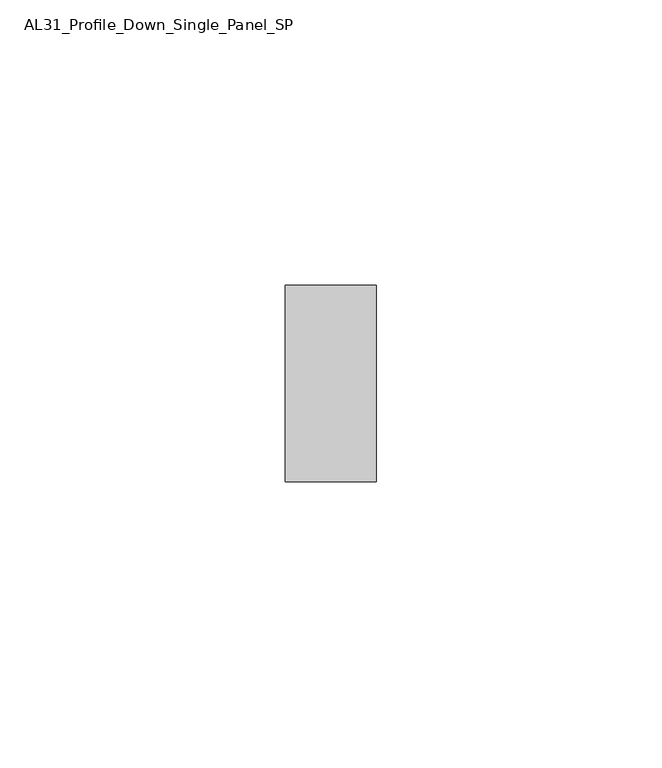
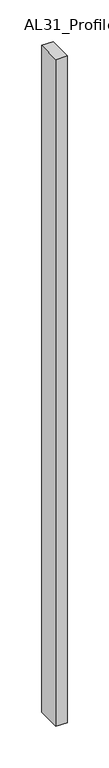
"""IFC4 building model written with IfcOpenShell, lengths in millimetres: member geometry, AL31_Profile_Down_Single_Panel_SP."""

from ifc_helpers import new_model, si_unit, frame, origin, place, context, project, spatial, polyline, outline, extrude, source, transform, mapped, element, save


def al31_profile_down_single_panel_sp_cb581b4c(model_context):
    return source(origin(), model_context, "Body", "SweptSolid", [
        extrude(outline(polyline([(0.0, -17.25), (-16.0, -17.25), (-16.0, 17.25), (0.0, 17.25), (0.0, -17.25)])), frame((0.0, 0.0, -979.8), z_axis=(0.0, 0.0, 1.0), x_axis=(1.0, 0.0, 0.0)), (0.0, 0.0, 1.0), 979.8),
    ])


if __name__ == "__main__":
    model = new_model("IFC4")
    model_context = context("Model", 3, world=origin())
    ifc_project = project(units=[si_unit("LENGTHUNIT", "METRE", prefix="MILLI")], contexts=[model_context])
    site = spatial("IfcSite", under=ifc_project)
    building = spatial("IfcBuilding", under=site)
    placement = place(None, origin())
    al31_profile_down_single_panel_sp_shape = al31_profile_down_single_panel_sp_cb581b4c(model_context)
    element("IfcMember", 1, ObjectType="AL31_Profile_Down_Single_Panel_SP", at=placement, inside=building, context=model_context, shape_type="MappedRepresentation", body=[
        mapped(al31_profile_down_single_panel_sp_shape, transform((0.0, 0.0, 0.0), x_axis=(1.0, 0.0, 0.0), y_axis=(0.0, 1.0, 0.0), z_axis=(0.0, 0.0, 1.0))),
    ])
    save(model, "model.ifc")
